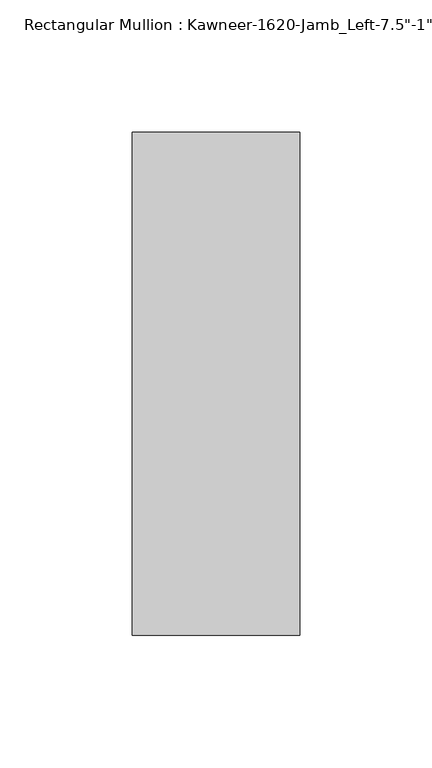
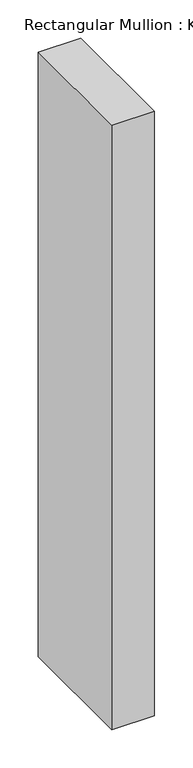
"""IFC4 building model written with IfcOpenShell, lengths in millimetres: member geometry."""

import ifcopenshell
import ifcopenshell.guid

model = None  # the IFC model being written
_history = None  # IfcOwnerHistory: only IFC2X3 demands one
_inside = {}  # id of a spatial element -> (the spatial element, [elements in it])
_under = {}  # id of a project, library or spatial element -> (it, [spatial elements below it])
_declared = {}  # id of a project -> (the project, [libraries it declares])
_typed = {}  # id of a type object -> (the type object, [elements of that type])
_made_of = {}  # id of a material, layer set ... -> (it, [elements and type objects made of it])


def new_model(schema):
    """Start an empty IFC model of exactly this schema.

    Asked for "IFC4X3", IfcOpenShell would pick the latest addendum, in which some entities
    have other attributes; the version numbers below select the first issue.
    IFC2X3 requires an IfcOwnerHistory on every rooted entity: one is made here for all.
    """
    global model, _history
    if schema == "IFC4X3":
        model = ifcopenshell.file(schema_version=(4, 3, 0, 0))
    else:
        model = ifcopenshell.file(schema=schema)
    _inside.clear()
    _under.clear()
    _declared.clear()
    _typed.clear()
    _made_of.clear()
    _history = None
    if model.schema == "IFC2X3":
        org = make("IfcOrganization", Name="unknown")
        user = make(
            "IfcPersonAndOrganization",
            ThePerson=make("IfcPerson", FamilyName="unknown"),
            TheOrganization=org,
        )
        app = make(
            "IfcApplication",
            ApplicationDeveloper=org,
            Version="unknown",
            ApplicationFullName="unknown",
            ApplicationIdentifier="unknown",
        )
        _history = make(
            "IfcOwnerHistory",
            OwningUser=user,
            OwningApplication=app,
            ChangeAction="ADDED",
            CreationDate=0,
        )
    return model


def make(cls, **values):
    """One entity of the class cls with the attributes given. An attribute that is None is left unset."""
    return model.create_entity(
        cls, **{name: value for name, value in values.items() if value is not None}
    )


def rooted(cls, **values):
    """An entity with a GlobalId (a new one), such as an element, a storey or a relation."""
    return make(cls, GlobalId=ifcopenshell.guid.new(), OwnerHistory=_history, **values)


def si_unit(unit_type, name, prefix=None):
    """IfcSIUnit, for example si_unit("LENGTHUNIT", "METRE", prefix="MILLI")."""
    return make("IfcSIUnit", UnitType=unit_type, Prefix=prefix, Name=name)


def assignment(units):
    """IfcUnitAssignment: the units of a project."""
    return None if units is None else make("IfcUnitAssignment", Units=units)


def point(xyz):
    """IfcCartesianPoint."""
    return None if xyz is None else make("IfcCartesianPoint", Coordinates=xyz)


def direction(xyz):
    """IfcDirection."""
    return None if xyz is None else make("IfcDirection", DirectionRatios=xyz)


def frame(location, z_axis=None, x_axis=None):
    """IfcAxis2Placement3D, a coordinate frame: its origin and axes. An axis left out is left unset."""
    return make(
        "IfcAxis2Placement3D",
        Location=point(location),
        Axis=direction(z_axis),
        RefDirection=direction(x_axis),
    )


def origin():
    """The frame at (0, 0, 0) with its axes left unset."""
    return frame((0.0, 0.0, 0.0))


def place(relative_to, where):
    """IfcLocalPlacement: puts the frame where relative to a parent placement (None: the world)."""
    return make(
        "IfcLocalPlacement", PlacementRelTo=relative_to, RelativePlacement=where
    )


def context(
    kind, dimensions, precision=None, world=None, true_north=None, identifier=None
):
    """IfcGeometricRepresentationContext, for example the 3D "Model" context."""
    return make(
        "IfcGeometricRepresentationContext",
        ContextIdentifier=identifier,
        ContextType=kind,
        CoordinateSpaceDimension=dimensions,
        Precision=precision,
        WorldCoordinateSystem=world,
        TrueNorth=true_north,
    )


def project(units=None, contexts=None):
    """IfcProject with its units and contexts."""
    return rooted(
        "IfcProject",
        Name="project",
        RepresentationContexts=contexts,
        UnitsInContext=assignment(units),
    )


def spatial(cls, under=None, at=None, **own):
    """A site, building, storey or space (cls), placed at a placement, below another one or the project."""
    s = rooted(cls, ObjectPlacement=at, **own)
    if under is not None:
        _under.setdefault(under.id(), (under, []))[1].append(s)
    return s


def polyline(points):
    """IfcPolyline through the points."""
    return make("IfcPolyline", Points=[point(p) for p in points])


def outline(outer, holes=None, kind="AREA"):
    """IfcArbitraryClosedProfileDef: a profile drawn as a closed curve; with holes, ...WithVoids."""
    if holes is None:
        return make("IfcArbitraryClosedProfileDef", ProfileType=kind, OuterCurve=outer)
    return make(
        "IfcArbitraryProfileDefWithVoids",
        ProfileType=kind,
        OuterCurve=outer,
        InnerCurves=holes,
    )


def extrude(swept, where, along, depth):
    """IfcExtrudedAreaSolid: the profile swept, set in the frame where, extruded along a direction by depth."""
    return make(
        "IfcExtrudedAreaSolid",
        SweptArea=swept,
        Position=where,
        ExtrudedDirection=direction(along),
        Depth=depth,
    )


def shape(context_of_items, identifier, shape_type, items):
    """IfcShapeRepresentation: the items that make up one representation, for example the "Body"."""
    return make(
        "IfcShapeRepresentation",
        ContextOfItems=context_of_items,
        RepresentationIdentifier=identifier,
        RepresentationType=shape_type,
        Items=items,
    )


def source(mapping_origin, context_of_items, identifier, shape_type, items):
    """IfcRepresentationMap: a shape defined once, which mapped items show again and again."""
    return make(
        "IfcRepresentationMap",
        MappingOrigin=mapping_origin,
        MappedRepresentation=shape(context_of_items, identifier, shape_type, items),
    )


def transform(
    local_origin,
    x_axis=None,
    y_axis=None,
    z_axis=None,
    scale=None,
    scale2=None,
    scale3=None,
    uniform=True,
):
    """IfcCartesianTransformationOperator3D, or its non-uniform kind. x_axis, y_axis, z_axis: its Axis1, 2, 3."""
    if uniform:
        return make(
            "IfcCartesianTransformationOperator3D",
            Axis1=direction(x_axis),
            Axis2=direction(y_axis),
            LocalOrigin=point(local_origin),
            Scale=scale,
            Axis3=direction(z_axis),
        )
    return make(
        "IfcCartesianTransformationOperator3DnonUniform",
        Axis1=direction(x_axis),
        Axis2=direction(y_axis),
        LocalOrigin=point(local_origin),
        Scale=scale,
        Axis3=direction(z_axis),
        Scale2=scale2,
        Scale3=scale3,
    )


def mapped(mapping_source, mapping_target):
    """IfcMappedItem: shows the shape of a source again, moved by a transform."""
    return make(
        "IfcMappedItem", MappingSource=mapping_source, MappingTarget=mapping_target
    )


def made_of(thing, what):
    """Note that an element or type object is made of a material, layer set ...; save() writes the relation."""
    if what is not None:
        _made_of.setdefault(what.id(), (what, []))[1].append(thing)
    return thing


def element(
    cls,
    number,
    at=None,
    inside=None,
    cuts=None,
    type_object=None,
    material=None,
    context=None,
    identifier="Body",
    shape_type=None,
    held_by="IfcProductDefinitionShape",
    body=None,
    shapes=None,
    **own,
):
    """One element of the class cls, such as IfcWall. Its Tag is "e" and its number.

    at: its placement. inside: the storey or other place that contains it. cuts: it is an
    opening in that element (IfcRelVoidsElement). A single representation is given by context,
    identifier, shape_type and body (its items); several are given by shapes. held_by: the class
    of the entity that holds the representations. save() writes the other relations.
    """
    e = rooted(cls, Tag="e%d" % number, ObjectPlacement=at, **own)
    if body is not None:
        shapes = [shape(context, identifier, shape_type, body)]
    if shapes is not None:
        e.Representation = make(held_by, Representations=shapes)
    if inside is not None:
        _inside.setdefault(inside.id(), (inside, []))[1].append(e)
    if cuts is not None:
        rooted(
            "IfcRelVoidsElement", RelatingBuildingElement=cuts, RelatedOpeningElement=e
        )
    if type_object is not None:
        _typed.setdefault(type_object.id(), (type_object, []))[1].append(e)
    return made_of(e, material)


def aggregate(whole, parts):
    """IfcRelAggregates: a whole, such as a stair, and the parts it consists of."""
    return rooted("IfcRelAggregates", RelatingObject=whole, RelatedObjects=parts)


def save(model, path):
    """Write the relations noted so far, then the file.

    IfcRelAggregates (storeys below a building ...), IfcRelContainedInSpatialStructure (elements
    in a storey), IfcRelDefinesByType, IfcRelAssociatesMaterial and IfcRelDeclares: one each for
    every whole, place, type object, material and project.
    """
    for whole, parts in _under.values():
        aggregate(whole, parts)
    for where, things in _inside.values():
        rooted(
            "IfcRelContainedInSpatialStructure",
            RelatedElements=things,
            RelatingStructure=where,
        )
    for kind, things in _typed.values():
        rooted("IfcRelDefinesByType", RelatedObjects=things, RelatingType=kind)
    for what, things in _made_of.values():
        rooted("IfcRelAssociatesMaterial", RelatedObjects=things, RelatingMaterial=what)
    for by, libraries in _declared.values():
        rooted("IfcRelDeclares", RelatingContext=by, RelatedDefinitions=libraries)
    model.write(path)


def member_69e44063(model_context):
    return source(origin(), model_context, "Body", "SweptSolid", [
        extrude(outline(polyline([(-63.5, 38.1), (0.0, 38.1), (0.0, -152.4), (-63.5, -152.4), (-63.5, 38.1)])), frame((0.0, 0.0, -958.85), z_axis=(0.0, 0.0, 1.0), x_axis=(1.0, 0.0, 0.0)), (0.0, 0.0, 1.0), 958.85),
    ])


if __name__ == "__main__":
    model = new_model("IFC4")
    model_context = context("Model", 3, world=origin())
    ifc_project = project(units=[si_unit("LENGTHUNIT", "METRE", prefix="MILLI")], contexts=[model_context])
    site = spatial("IfcSite", under=ifc_project)
    building = spatial("IfcBuilding", under=site)
    placement = place(None, origin())
    member_shape = member_69e44063(model_context)
    element("IfcMember", 1, ObjectType="Rectangular Mullion : Kawneer-1620-Jamb_Left-7.5\"-1\"Infill", at=placement, inside=building, context=model_context, shape_type="MappedRepresentation", body=[
        mapped(member_shape, transform((0.0, 0.0, 0.0), x_axis=(1.0, 0.0, 0.0), y_axis=(0.0, 1.0, 0.0), z_axis=(0.0, 0.0, 1.0))),
    ])
    save(model, "model.ifc")
